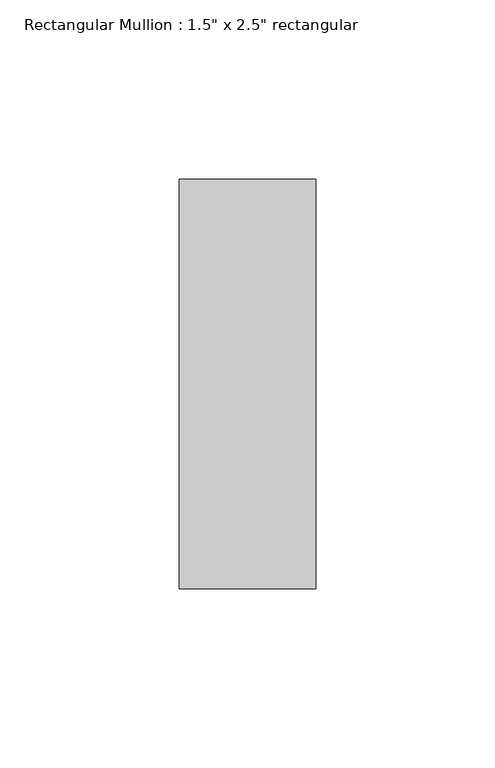
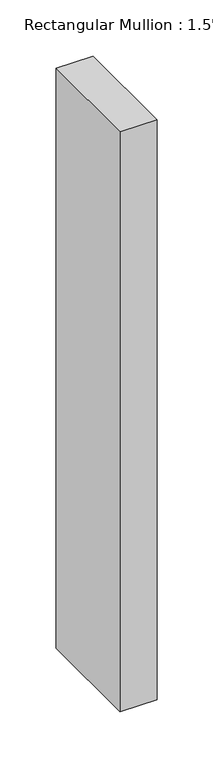
"""IFC4 building model written with IfcOpenShell, lengths in millimetres: member geometry."""

from ifc_helpers import new_model, si_unit, frame, origin, place, context, project, spatial, polyline, outline, extrude, source, transform, mapped, element, save


def member_a41935e7(model_context):
    return source(origin(), model_context, "Body", "SweptSolid", [
        extrude(outline(polyline([(19.05, 57.15), (19.05, -57.15), (-19.05, -57.15), (-19.05, 57.15), (19.05, 57.15)])), frame((0.0, 0.0, -631.825), z_axis=(0.0, 0.0, 1.0), x_axis=(1.0, 0.0, 0.0)), (0.0, 0.0, 1.0), 631.825),
    ])


if __name__ == "__main__":
    model = new_model("IFC4")
    model_context = context("Model", 3, world=origin())
    ifc_project = project(units=[si_unit("LENGTHUNIT", "METRE", prefix="MILLI")], contexts=[model_context])
    site = spatial("IfcSite", under=ifc_project)
    building = spatial("IfcBuilding", under=site)
    placement = place(None, origin())
    member_shape = member_a41935e7(model_context)
    element("IfcMember", 1, ObjectType="Rectangular Mullion : 1.5\" x 2.5\" rectangular", at=placement, inside=building, context=model_context, shape_type="MappedRepresentation", body=[
        mapped(member_shape, transform((0.0, 0.0, 0.0), x_axis=(1.0, 0.0, 0.0), y_axis=(0.0, 1.0, 0.0), z_axis=(0.0, 0.0, 1.0))),
    ])
    save(model, "model.ifc")
